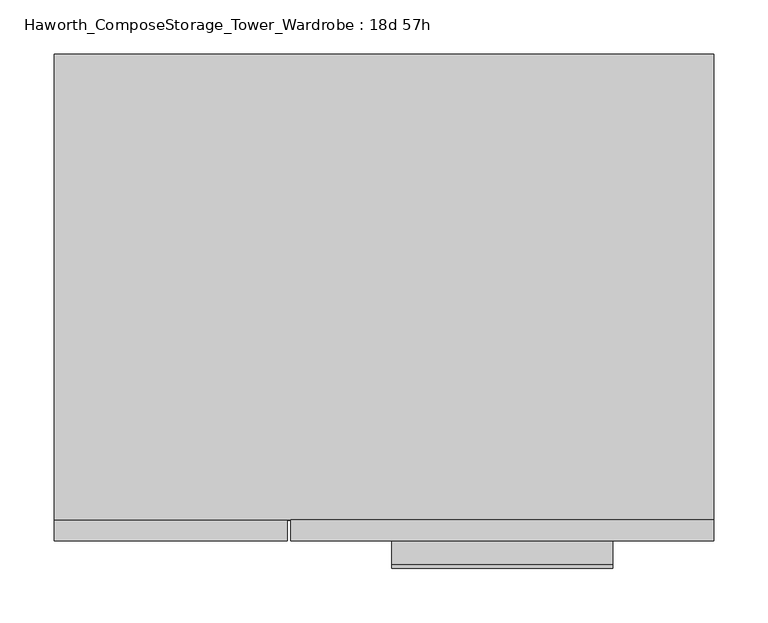
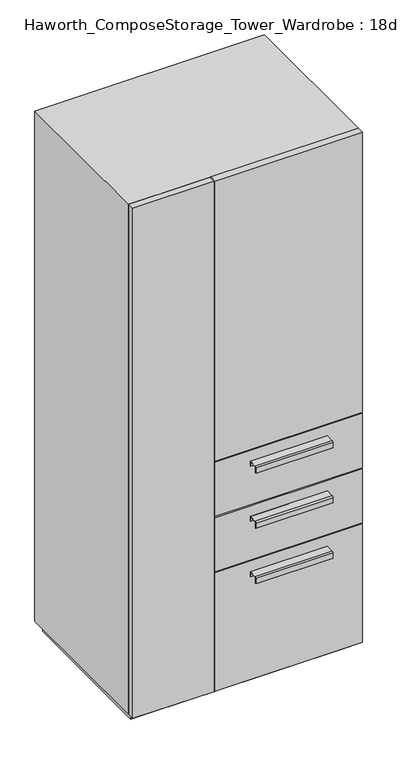
"""IFC4 building model written with IfcOpenShell, lengths in millimetres: furniture geometry, Haworth_ComposeStorage_Tower_Wardrobe : 18d 57h."""

from ifc_helpers import new_model, si_unit, point, frame, frame_2d, origin, origin_with_axes, place, context, project, spatial, polyline, circle_curve, trimmed, segment, composite_curve, outline, extrude, faceted_brep, source, transform, mapped, element, save


def haworth_composestorage_tower_wardrobe_18d_57h_44886e2d(model_context):
    return source(origin(), model_context, "Body", "SolidModel", [
        extrude(outline(composite_curve([segment(polyline([(-255.5875242, 633.9919215), (-233.3625, 633.9919215), (-233.3625, 620.5299525), (-234.1562742, 620.5299525), (-234.1562742, 633.1982199), (-255.5875242, 633.1982199)]), True, "CONTINUOUS"), segment(trimmed(circle_curve(frame_2d((-255.5875242, 630.8142808)), 2.3839392), [point((-255.5875242, 633.1982199))], [point((-257.9714634, 630.8142808))], True, "CARTESIAN"), True, "CONTINUOUS"), segment(polyline([(-257.9714634, 630.8142808), (-257.9714634, 616.2119021), (-258.7624758, 616.2119021), (-258.7624758, 630.8169699)]), True, "CONTINUOUS"), segment(trimmed(circle_curve(frame_2d((-255.5875242, 630.8169699)), 3.1749516), [point((-258.7624758, 630.8169699))], [point((-255.5875242, 633.9919215))], False, "CARTESIAN"), True, "CONTINUOUS")], self_intersect=False)), frame((7.1576406, 0.0, 0.0), z_axis=(1.0, 0.0, 0.0), x_axis=(0.0, 1.0, 0.0)), (0.0, 0.0, 1.0), 203.2),
        extrude(outline(polyline([(303.2263906, -214.3125), (303.2263906, -233.3625), (-85.7111094, -233.3625), (-85.7111094, -214.3125), (303.2263906, -214.3125)])), frame((0.0, 0.0, 512.7625), z_axis=(0.0, 0.0, 1.0), x_axis=(1.0, 0.0, 0.0)), (0.0, 0.0, 1.0), 150.8125),
        extrude(outline(composite_curve([segment(polyline([(-255.5875242, 480.0044215), (-233.3625, 480.0044215), (-233.3625, 466.5424525), (-234.1562742, 466.5424525), (-234.1562742, 479.2107199), (-255.5875242, 479.2107199)]), True, "CONTINUOUS"), segment(trimmed(circle_curve(frame_2d((-255.5875242, 476.8267808)), 2.3839392), [point((-255.5875242, 479.2107199))], [point((-257.9714634, 476.8267808))], True, "CARTESIAN"), True, "CONTINUOUS"), segment(polyline([(-257.9714634, 476.8267808), (-257.9714634, 462.2244021), (-258.7624758, 462.2244021), (-258.7624758, 476.8294699)]), True, "CONTINUOUS"), segment(trimmed(circle_curve(frame_2d((-255.5875242, 476.8294699)), 3.1749516), [point((-258.7624758, 476.8294699))], [point((-255.5875242, 480.0044215))], False, "CARTESIAN"), True, "CONTINUOUS")], self_intersect=False)), frame((7.1576406, 0.0, 0.0), z_axis=(1.0, 0.0, 0.0), x_axis=(0.0, 1.0, 0.0)), (0.0, 0.0, 1.0), 203.2),
        extrude(outline(polyline([(303.2263906, -214.3125), (303.2263906, -233.3625), (-85.7111094, -233.3625), (-85.7111094, -214.3125), (303.2263906, -214.3125)])), frame((0.0, 0.0, 358.775), z_axis=(0.0, 0.0, 1.0), x_axis=(1.0, 0.0, 0.0)), (0.0, 0.0, 1.0), 150.8125),
        extrude(outline(composite_curve([segment(polyline([(-255.5875242, 326.0169215), (-233.3625, 326.0169215), (-233.3625, 312.5549525), (-234.1562742, 312.5549525), (-234.1562742, 325.2232199), (-255.5875242, 325.2232199)]), True, "CONTINUOUS"), segment(trimmed(circle_curve(frame_2d((-255.5875242, 322.8392808)), 2.3839392), [point((-255.5875242, 325.2232199))], [point((-257.9714634, 322.8392808))], True, "CARTESIAN"), True, "CONTINUOUS"), segment(polyline([(-257.9714634, 322.8392808), (-257.9714634, 308.2369021), (-258.7624758, 308.2369021), (-258.7624758, 322.8419699)]), True, "CONTINUOUS"), segment(trimmed(circle_curve(frame_2d((-255.5875242, 322.8419699)), 3.1749516), [point((-258.7624758, 322.8419699))], [point((-255.5875242, 326.0169215))], False, "CARTESIAN"), True, "CONTINUOUS")], self_intersect=False)), frame((7.1576406, 0.0, 0.0), z_axis=(1.0, 0.0, 0.0), x_axis=(0.0, 1.0, 0.0)), (0.0, 0.0, 1.0), 203.2),
        extrude(outline(polyline([(303.2263906, -214.3125), (303.2263906, -233.3625), (-85.7111094, -233.3625), (-85.7111094, -214.3125), (303.2263906, -214.3125)])), frame((0.0, 0.0, 25.4), z_axis=(0.0, 0.0, 1.0), x_axis=(1.0, 0.0, 0.0)), (0.0, 0.0, 1.0), 330.2),
        extrude(outline(polyline([(303.2263906, -214.3125), (303.2263906, -233.3625), (-85.7111094, -233.3625), (-85.7111094, -214.3125), (303.2263906, -214.3125)])), frame((0.0, 0.0, 666.75), z_axis=(0.0, 0.0, 1.0), x_axis=(1.0, 0.0, 0.0)), (0.0, 0.0, 1.0), 781.05),
        faceted_brep([(-303.1986094, -214.3125, 25.4), (303.2263906, -214.3125, 25.4), (303.2263906, -214.3125, 1447.8), (-303.1986094, -214.3125, 1447.8), (-284.1486094, -214.3125, 44.45), (-284.1486094, -214.3125, 1428.75), (284.1694453, -214.3125, 1428.75), (284.1694453, -214.3125, 44.45), (-303.1986094, 214.3125, 25.4), (-303.1986094, 214.3125, 1447.8), (303.2263906, 214.3125, 1447.8), (303.2263906, 214.3125, 25.4), (-284.1486094, 195.2625, 44.45), (-284.1486094, 195.2625, 1428.75), (284.1694453, 195.2625, 1428.75), (284.1694453, 195.2625, 44.45)], [[[0, 1, 2, 3], [4, 5, 6, 7]], [[8, 9, 10, 11]], [[1, 0, 8, 11]], [[2, 1, 11, 10]], [[3, 2, 10, 9]], [[0, 3, 9, 8]], [[5, 4, 12, 13]], [[6, 5, 13, 14]], [[7, 6, 14, 15]], [[4, 7, 15, 12]], [[13, 12, 15, 14]]]),
        extrude(outline(polyline([(290.5263906, -201.6125), (-290.4986094, -201.6125), (-290.4986094, 201.6125), (290.5263906, 201.6125), (290.5263906, -201.6125)])), origin_with_axes(), (0.0, 0.0, 1.0), 25.4),
        extrude(outline(polyline([(-303.1986094, -233.3625), (-303.1986094, -214.3125), (-88.8861094, -214.3125), (-88.8861094, -233.3625), (-303.1986094, -233.3625)])), frame((0.0, 0.0, 25.4), z_axis=(0.0, 0.0, 1.0), x_axis=(1.0, 0.0, 0.0)), (0.0, 0.0, 1.0), 1422.4),
    ])


if __name__ == "__main__":
    model = new_model("IFC4")
    model_context = context("Model", 3, world=origin())
    ifc_project = project(units=[si_unit("LENGTHUNIT", "METRE", prefix="MILLI")], contexts=[model_context])
    site = spatial("IfcSite", under=ifc_project)
    building = spatial("IfcBuilding", under=site)
    placement = place(None, origin())
    haworth_composestorage_tower_wardrobe_18d_57h_shape = haworth_composestorage_tower_wardrobe_18d_57h_44886e2d(model_context)
    element("IfcFurniture", 1, ObjectType="Haworth_ComposeStorage_Tower_Wardrobe : 18d 57h", at=placement, inside=building, context=model_context, shape_type="MappedRepresentation", body=[
        mapped(haworth_composestorage_tower_wardrobe_18d_57h_shape, transform((0.0, 0.0, 0.0), x_axis=(1.0, 0.0, 0.0), y_axis=(0.0, 1.0, 0.0), z_axis=(0.0, 0.0, 1.0))),
    ])
    save(model, "model.ifc")
